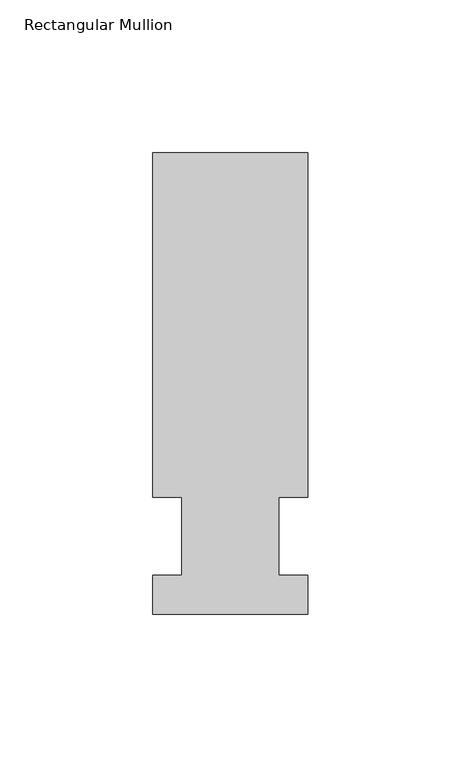
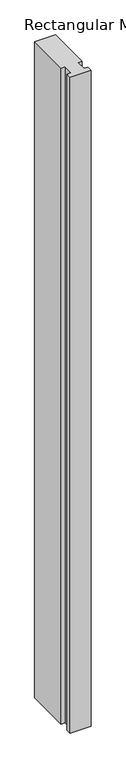
"""IFC4 building model written with IfcOpenShell, lengths in millimetres: member geometry, Rectangular Mullion."""

from ifc_helpers import new_model, si_unit, frame, origin, place, context, project, spatial, polyline, outline, extrude, source, transform, mapped, element, save


def rectangular_mullion_8dac15f8(model_context):
    return source(origin(), model_context, "Body", "SweptSolid", [
        extrude(outline(polyline([(-25.4, -25.58415), (-25.4, -12.7), (-15.875, -12.7), (-15.875, 12.7), (-25.4, 12.7), (-25.4, 125.59665), (25.4, 125.59665), (25.4, 12.7), (15.875, 12.7), (15.875, -12.7), (25.4, -12.7), (25.4, -25.58415), (-25.4, -25.58415)])), frame((0.0, 0.0, -1703.9166667), z_axis=(0.0, 0.0, 1.0), x_axis=(1.0, 0.0, 0.0)), (0.0, 0.0, 1.0), 1703.9166667),
    ])


if __name__ == "__main__":
    model = new_model("IFC4")
    model_context = context("Model", 3, world=origin())
    ifc_project = project(units=[si_unit("LENGTHUNIT", "METRE", prefix="MILLI")], contexts=[model_context])
    site = spatial("IfcSite", under=ifc_project)
    building = spatial("IfcBuilding", under=site)
    placement = place(None, origin())
    rectangular_mullion_shape = rectangular_mullion_8dac15f8(model_context)
    element("IfcMember", 1, ObjectType="Rectangular Mullion", at=placement, inside=building, context=model_context, shape_type="MappedRepresentation", body=[
        mapped(rectangular_mullion_shape, transform((0.0, 0.0, 0.0), x_axis=(1.0, 0.0, 0.0), y_axis=(0.0, 1.0, 0.0), z_axis=(0.0, 0.0, 1.0))),
    ])
    save(model, "model.ifc")
